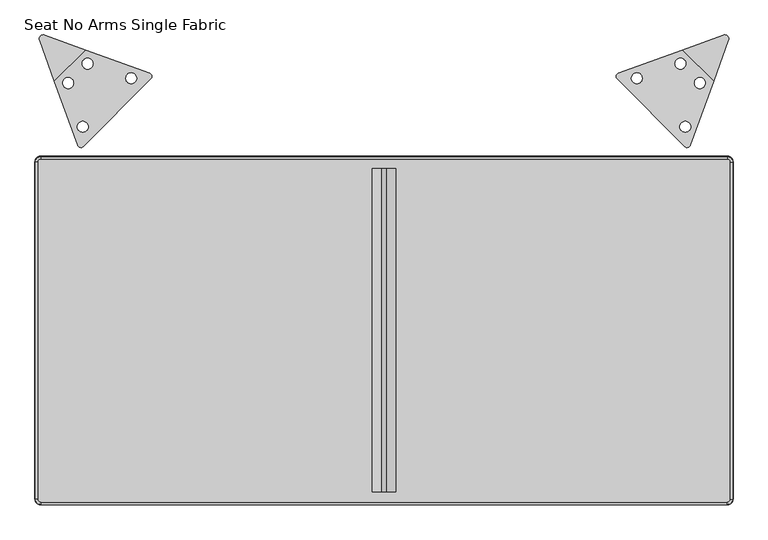
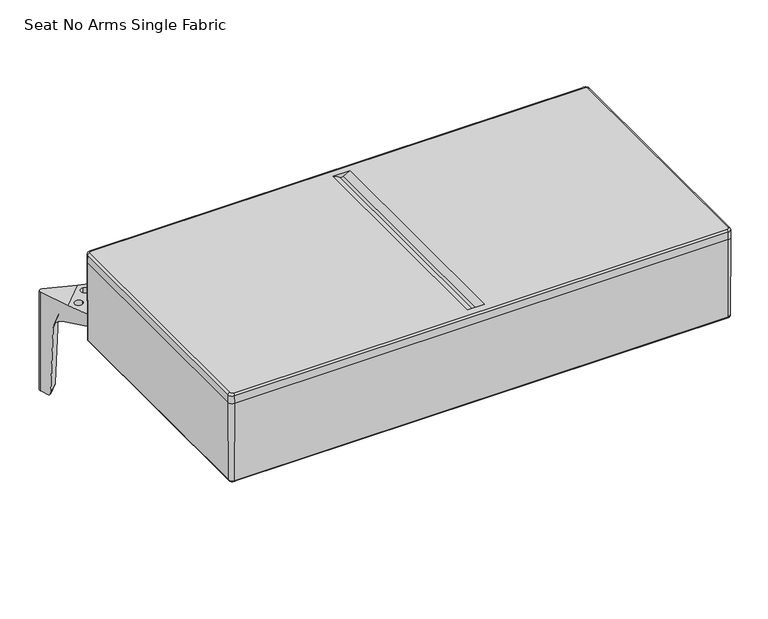
"""IFC4 building model written with IfcOpenShell, lengths in millimetres: furniture geometry, Seat No Arms Single Fabric."""

from ifc_helpers import new_model, si_unit, point, frame, origin, place, context, project, spatial, polyline, circle_curve, ellipse_curve, trimmed, source, transform, mapped, element, save
from ifc_brep_helpers import plane_surface, cylinder_surface, revolved_surface, advanced_brep


def seat_no_arms_single_fabric_0442dae5(model_context):
    return source(origin(), model_context, "Body", "AdvancedBrep", [
        advanced_brep(
        [(-508.4043637, -336.2831561, 399.8769495), (-500.607956, -344.0795638, 399.8769495), (-500.607956, -340.5828005, 403.2639753), (-504.9076004, -336.2831561, 403.2639753), (-508.9059221, -336.2831561, 384.1496683), (-500.607956, -344.5811222, 384.1496683), (-508.0982527, -336.2831561, 217.9964874), (-500.607956, -343.7734528, 217.9964874), (-504.7991098, -336.2831561, 214.8318179), (-500.607956, -340.4743099, 214.8318179), (-500.607956, -339.6666812, 214.8318179), (-503.9914811, -336.2831561, 214.8318179), (-503.9914811, -336.2831561, 215.0000307), (-500.607956, -339.6666812, 215.0000307), (-504.9076004, 156.0562792, 403.2639753), (-508.4043637, 156.0562792, 399.8769495), (-508.9059221, 156.0562792, 384.1496683), (-508.0982527, 156.0562792, 217.9964874), (-504.7991098, 156.0562792, 214.8318179), (-503.9914811, 156.0562792, 214.8318179), (-503.9914811, 156.0562792, 215.0000307), (-500.607956, 160.3559235, 403.2639753), (-500.607956, 163.8526868, 399.8769495), (-500.607956, 164.3542453, 384.1496683), (-500.607956, 163.5465759, 217.9964874), (-500.607956, 160.2474329, 214.8318179), (-500.607956, 159.4398042, 214.8318179), (-500.607956, 159.4398042, 215.0000307), (500.607956, 160.3559235, 403.2639753), (500.607956, 163.8526868, 399.8769495), (500.607956, 164.3542453, 384.1496683), (500.607956, 163.5465759, 217.9964874), (500.607956, 160.2474329, 214.8318179), (500.607956, 159.4398042, 214.8318179), (500.607956, 159.4398042, 215.0000307), (504.9076004, 156.0562792, 403.2639753), (508.4043637, 156.0562792, 399.8769495), (508.9059221, 156.0562792, 384.1496683), (508.0982527, 156.0562792, 217.9964874), (504.7991098, 156.0562792, 214.8318179), (503.9914811, 156.0562792, 214.8318179), (503.9914811, 156.0562792, 215.0000307), (504.9076004, -336.2831561, 403.2639753), (508.4043637, -336.2831561, 399.8769495), (508.9059221, -336.2831561, 384.1496683), (508.0982527, -336.2831561, 217.9964874), (504.7991098, -336.2831561, 214.8318179), (503.9914811, -336.2831561, 214.8318179), (503.9914811, -336.2831561, 215.0000307), (500.607956, -340.5828005, 403.2639753), (500.607956, -344.0795638, 399.8769495), (500.607956, -344.5811222, 384.1496683), (500.607956, -343.7734528, 217.9964874), (500.607956, -340.4743099, 214.8318179), (500.607956, -339.6666812, 214.8318179), (500.607956, -339.6666812, 215.0000307), (-17.1683585, 146.3891732, 403.2639753), (17.1683585, 146.3891732, 403.2639753), (17.1683585, -325.2508809, 403.2639753), (-17.1683585, -325.2508809, 403.2639753), (-3.8488684, 146.3891732, 396.2028832), (3.8488684, 146.3891732, 396.2028832), (3.8488684, -325.2508809, 396.2028832), (-3.8488684, -325.2508809, 396.2028832)],
        [
            (0, 1, circle_curve(frame((-500.607956, -336.2831561, 399.8769495), z_axis=(0.0, 0.0, 1.0), x_axis=(0.0, -1.0, 0.0)), 7.7964077)),
            (1, 2, circle_curve(frame((-500.607956, -340.5828005, 399.7654343), z_axis=(-1.0, 0.0, 0.0), x_axis=(0.0, 1.0, 0.0)), 3.498541)),
            (2, 3, circle_curve(frame((-500.607956, -336.2831561, 403.2639753), z_axis=(0.0, 0.0, -1.0), x_axis=(0.0, -1.0, 0.0)), 4.2996444)),
            (3, 0, circle_curve(frame((-504.9076004, -336.2831561, 399.7654343), z_axis=(0.0, -1.0, 0.0), x_axis=(1.0, 0.0, 0.0)), 3.498541)),
            (0, 4),
            (4, 5, circle_curve(frame((-500.607956, -336.2831561, 384.1496683), z_axis=(0.0, 0.0, 1.0), x_axis=(0.0, -1.0, 0.0)), 8.2979661)),
            (5, 1),
            (4, 6, circle_curve(frame((1751.6135517, -336.2831561, 312.0594835), z_axis=(0.0, -1.0, 0.0), x_axis=(1.0, 0.0, 0.0)), 2261.6686951)),
            (6, 7, circle_curve(frame((-500.607956, -336.2831561, 217.9964874), z_axis=(0.0, 0.0, 1.0), x_axis=(0.0, -1.0, 0.0)), 7.4902967)),
            (7, 5, circle_curve(frame((-500.607956, 1915.9383516, 312.0594835), z_axis=(-1.0, 0.0, 0.0), x_axis=(0.0, 1.0, 0.0)), 2261.6686951)),
            (6, 8, circle_curve(frame((-504.7991098, -336.2831561, 218.1338179), z_axis=(0.0, -1.0, 0.0), x_axis=(1.0, 0.0, 0.0)), 3.302)),
            (8, 9, circle_curve(frame((-500.607956, -336.2831561, 214.8318179), z_axis=(0.0, 0.0, 1.0), x_axis=(0.0, -1.0, 0.0)), 4.1911537)),
            (9, 7, circle_curve(frame((-500.607956, -340.4743099, 218.1338179), z_axis=(-1.0, 0.0, 0.0), x_axis=(0.0, 1.0, 0.0)), 3.302)),
            (10, 11, circle_curve(frame((-500.607956, -336.2831561, 214.8318179), z_axis=(0.0, 0.0, -1.0), x_axis=(0.0, -1.0, 0.0)), 3.383525)),
            (11, 12),
            (12, 13, circle_curve(frame((-500.607956, -336.2831561, 215.0000307), z_axis=(0.0, 0.0, 1.0), x_axis=(0.0, -1.0, 0.0)), 3.383525)),
            (13, 10),
            (3, 14),
            (14, 15, circle_curve(frame((-504.9076004, 156.0562792, 399.7654343), z_axis=(0.0, -1.0, 0.0), x_axis=(1.0, 0.0, 0.0)), 3.498541)),
            (15, 0),
            (15, 16),
            (16, 4),
            (16, 17, circle_curve(frame((1751.6135517, 156.0562792, 312.0594835), z_axis=(0.0, -1.0, 0.0), x_axis=(1.0, 0.0, 0.0)), 2261.6686951)),
            (17, 6),
            (17, 18, circle_curve(frame((-504.7991098, 156.0562792, 218.1338179), z_axis=(0.0, -1.0, 0.0), x_axis=(1.0, 0.0, 0.0)), 3.302)),
            (18, 8),
            (11, 19),
            (19, 20),
            (20, 12),
            (14, 21, circle_curve(frame((-500.607956, 156.0562792, 403.2639753), z_axis=(0.0, 0.0, -1.0), x_axis=(-1.0, 0.0, 0.0)), 4.2996444)),
            (21, 22, circle_curve(frame((-500.607956, 160.3559235, 399.7654343), z_axis=(-1.0, 0.0, 0.0), x_axis=(0.0, -1.0, 0.0)), 3.498541)),
            (22, 15, circle_curve(frame((-500.607956, 156.0562792, 399.8769495), z_axis=(0.0, 0.0, 1.0), x_axis=(-1.0, 0.0, 0.0)), 7.7964077)),
            (22, 23),
            (23, 16, circle_curve(frame((-500.607956, 156.0562792, 384.1496683), z_axis=(0.0, 0.0, 1.0), x_axis=(-1.0, 0.0, 0.0)), 8.2979661)),
            (23, 24, circle_curve(frame((-500.607956, -2096.1652286, 312.0594835), z_axis=(-1.0, 0.0, 0.0), x_axis=(0.0, -1.0, 0.0)), 2261.6686951)),
            (24, 17, circle_curve(frame((-500.607956, 156.0562792, 217.9964874), z_axis=(0.0, 0.0, 1.0), x_axis=(-1.0, 0.0, 0.0)), 7.4902967)),
            (24, 25, circle_curve(frame((-500.607956, 160.2474329, 218.1338179), z_axis=(-1.0, 0.0, 0.0), x_axis=(0.0, -1.0, 0.0)), 3.302)),
            (25, 18, circle_curve(frame((-500.607956, 156.0562792, 214.8318179), z_axis=(0.0, 0.0, 1.0), x_axis=(-1.0, 0.0, 0.0)), 4.1911537)),
            (19, 26, circle_curve(frame((-500.607956, 156.0562792, 214.8318179), z_axis=(0.0, 0.0, -1.0), x_axis=(-1.0, 0.0, 0.0)), 3.383525)),
            (26, 27),
            (27, 20, circle_curve(frame((-500.607956, 156.0562792, 215.0000307), z_axis=(0.0, 0.0, 1.0), x_axis=(-1.0, 0.0, 0.0)), 3.383525)),
            (21, 28),
            (28, 29, circle_curve(frame((500.607956, 160.3559235, 399.7654343), z_axis=(-1.0, 0.0, 0.0), x_axis=(0.0, -1.0, 0.0)), 3.498541)),
            (29, 22),
            (29, 30),
            (30, 23),
            (30, 31, circle_curve(frame((500.607956, -2096.1652286, 312.0594835), z_axis=(-1.0, 0.0, 0.0), x_axis=(0.0, -1.0, 0.0)), 2261.6686951)),
            (31, 24),
            (31, 32, circle_curve(frame((500.607956, 160.2474329, 218.1338179), z_axis=(-1.0, 0.0, 0.0), x_axis=(0.0, -1.0, 0.0)), 3.302)),
            (32, 25),
            (26, 33),
            (33, 34),
            (34, 27),
            (28, 35, circle_curve(frame((500.607956, 156.0562792, 403.2639753), z_axis=(0.0, 0.0, -1.0), x_axis=(0.0, 1.0, 0.0)), 4.2996444)),
            (35, 36, circle_curve(frame((504.9076004, 156.0562792, 399.7654343), z_axis=(0.0, 1.0, 0.0), x_axis=(-1.0, 0.0, 0.0)), 3.498541)),
            (36, 29, circle_curve(frame((500.607956, 156.0562792, 399.8769495), z_axis=(0.0, 0.0, 1.0), x_axis=(0.0, 1.0, 0.0)), 7.7964077)),
            (36, 37),
            (37, 30, circle_curve(frame((500.607956, 156.0562792, 384.1496683), z_axis=(0.0, 0.0, 1.0), x_axis=(0.0, 1.0, 0.0)), 8.2979661)),
            (37, 38, circle_curve(frame((-1751.6135517, 156.0562792, 312.0594835), z_axis=(0.0, 1.0, 0.0), x_axis=(-1.0, 0.0, 0.0)), 2261.6686951)),
            (38, 31, circle_curve(frame((500.607956, 156.0562792, 217.9964874), z_axis=(0.0, 0.0, 1.0), x_axis=(0.0, 1.0, 0.0)), 7.4902967)),
            (38, 39, circle_curve(frame((504.7991098, 156.0562792, 218.1338179), z_axis=(0.0, 1.0, 0.0), x_axis=(-1.0, 0.0, 0.0)), 3.302)),
            (39, 32, circle_curve(frame((500.607956, 156.0562792, 214.8318179), z_axis=(0.0, 0.0, 1.0), x_axis=(0.0, 1.0, 0.0)), 4.1911537)),
            (33, 40, circle_curve(frame((500.607956, 156.0562792, 214.8318179), z_axis=(0.0, 0.0, -1.0), x_axis=(0.0, 1.0, 0.0)), 3.383525)),
            (40, 41),
            (41, 34, circle_curve(frame((500.607956, 156.0562792, 215.0000307), z_axis=(0.0, 0.0, 1.0), x_axis=(0.0, 1.0, 0.0)), 3.383525)),
            (35, 42),
            (42, 43, circle_curve(frame((504.9076004, -336.2831561, 399.7654343), z_axis=(0.0, 1.0, 0.0), x_axis=(-1.0, 0.0, 0.0)), 3.498541)),
            (43, 36),
            (43, 44),
            (44, 37),
            (44, 45, circle_curve(frame((-1751.6135517, -336.2831561, 312.0594835), z_axis=(0.0, 1.0, 0.0), x_axis=(-1.0, 0.0, 0.0)), 2261.6686951)),
            (45, 38),
            (45, 46, circle_curve(frame((504.7991098, -336.2831561, 218.1338179), z_axis=(0.0, 1.0, 0.0), x_axis=(-1.0, 0.0, 0.0)), 3.302)),
            (46, 39),
            (40, 47),
            (47, 48),
            (48, 41),
            (42, 49, circle_curve(frame((500.607956, -336.2831561, 403.2639753), z_axis=(0.0, 0.0, -1.0), x_axis=(1.0, 0.0, 0.0)), 4.2996444)),
            (49, 50, circle_curve(frame((500.607956, -340.5828005, 399.7654343), z_axis=(1.0, 0.0, 0.0), x_axis=(0.0, 1.0, 0.0)), 3.498541)),
            (50, 43, circle_curve(frame((500.607956, -336.2831561, 399.8769495), z_axis=(0.0, 0.0, 1.0), x_axis=(1.0, 0.0, 0.0)), 7.7964077)),
            (50, 51),
            (51, 44, circle_curve(frame((500.607956, -336.2831561, 384.1496683), z_axis=(0.0, 0.0, 1.0), x_axis=(1.0, 0.0, 0.0)), 8.2979661)),
            (51, 52, circle_curve(frame((500.607956, 1915.9383516, 312.0594835), z_axis=(1.0, 0.0, 0.0), x_axis=(0.0, 1.0, 0.0)), 2261.6686951)),
            (52, 45, circle_curve(frame((500.607956, -336.2831561, 217.9964874), z_axis=(0.0, 0.0, 1.0), x_axis=(1.0, 0.0, 0.0)), 7.4902967)),
            (52, 53, circle_curve(frame((500.607956, -340.4743099, 218.1338179), z_axis=(1.0, 0.0, 0.0), x_axis=(0.0, 1.0, 0.0)), 3.302)),
            (53, 46, circle_curve(frame((500.607956, -336.2831561, 214.8318179), z_axis=(0.0, 0.0, 1.0), x_axis=(1.0, 0.0, 0.0)), 4.1911537)),
            (47, 54, circle_curve(frame((500.607956, -336.2831561, 214.8318179), z_axis=(0.0, 0.0, -1.0), x_axis=(1.0, 0.0, 0.0)), 3.383525)),
            (54, 55),
            (55, 48, circle_curve(frame((500.607956, -336.2831561, 215.0000307), z_axis=(0.0, 0.0, 1.0), x_axis=(1.0, 0.0, 0.0)), 3.383525)),
            (2, 49),
            (56, 57),
            (57, 58),
            (58, 59),
            (59, 56),
            (1, 50),
            (5, 51),
            (7, 52),
            (9, 53),
            (10, 54),
            (13, 55),
            (60, 61, circle_curve(frame((0.0, 146.3891732, 401.2534982), z_axis=(0.0, -1.0, 0.0), x_axis=(-1.0, 0.0, 0.0)), 6.35)),
            (61, 57, circle_curve(frame((31.8811083, 146.3891732, 359.4180319), z_axis=(0.0, 1.0, 0.0), x_axis=(-1.0, 0.0, 0.0)), 46.2485866)),
            (56, 60, circle_curve(frame((-31.8811083, 146.3891732, 359.4180319), z_axis=(0.0, 1.0, 0.0), x_axis=(1.0, 0.0, 0.0)), 46.2485866)),
            (62, 63, circle_curve(frame((0.0, -325.2508809, 401.2534982), z_axis=(0.0, 1.0, 0.0), x_axis=(-1.0, 0.0, 0.0)), 6.35)),
            (63, 59, circle_curve(frame((-31.8811083, -325.2508809, 359.4180319), z_axis=(0.0, -1.0, 0.0), x_axis=(1.0, 0.0, 0.0)), 46.2485866)),
            (58, 62, circle_curve(frame((31.8811083, -325.2508809, 359.4180319), z_axis=(0.0, -1.0, 0.0), x_axis=(-1.0, 0.0, 0.0)), 46.2485866)),
            (63, 60),
            (61, 62),
        ],
        [
            revolved_surface(trimmed(ellipse_curve(frame((-500.607956, -340.5828005, 399.7654343), z_axis=(1.0, 0.0, 0.0), x_axis=(0.0, 1.0, 0.0)), 3.498541, 3.498541), [point((-500.607956, -340.5828005, 403.2639753))], [point((-500.607956, -344.0795638, 399.8769495))], True, "CARTESIAN"), (-500.607956, -336.2831561, 218.3281888), (0.0, 0.0, -1.0)),
            revolved_surface(polyline([(-500.607956, -344.0795638, 399.8769495), (-500.607956, -344.5811222, 384.1496683)]), (-500.607956, -336.2831561, 218.3281888), (0.0, 0.0, -1.0)),
            revolved_surface(trimmed(ellipse_curve(frame((-500.607956, 1915.9383516, 312.0594835), z_axis=(1.0, 0.0, 0.0), x_axis=(0.0, 1.0, 0.0)), 2261.6686951, 2261.6686951), [point((-500.607956, -344.5811222, 384.1496683))], [point((-500.607956, -343.7734528, 217.9964874))], True, "CARTESIAN"), (-500.607956, -336.2831561, 218.3281888), (0.0, 0.0, -1.0)),
            revolved_surface(trimmed(ellipse_curve(frame((-500.607956, -340.4743099, 218.1338179), z_axis=(1.0, 0.0, 0.0), x_axis=(0.0, 1.0, 0.0)), 3.302, 3.302), [point((-500.607956, -343.7734528, 217.9964874))], [point((-500.607956, -340.4743099, 214.8318179))], True, "CARTESIAN"), (-500.607956, -336.2831561, 218.3281888), (0.0, 0.0, -1.0)),
            revolved_surface(polyline([(-500.607956, -339.6666811, 214.8318179), (-500.607956, -339.6666811, 215.0000307)]), (-500.607956, -336.2831561, 218.3281888), (0.0, 0.0, -1.0)),
            cylinder_surface(frame((-504.9076004, -336.2831561, 399.7654343), z_axis=(0.0, -1.0, 0.0), x_axis=(1.0, 0.0, 0.0)), 3.498541),
            plane_surface(frame((-508.4043637, -336.2831561, 399.8769495), z_axis=(-0.9994918702048333, 0.0, 0.03187477677481991), x_axis=(0.0, 1.0, 0.0))),
            cylinder_surface(frame((1751.6135517, -336.2831561, 312.0594835), z_axis=(0.0, -1.0, 0.0), x_axis=(1.0, 0.0, 0.0)), 2261.6686951),
            cylinder_surface(frame((-504.7991098, -336.2831561, 218.1338179), z_axis=(0.0, -1.0, 0.0), x_axis=(1.0, 0.0, 0.0)), 3.302),
            plane_surface(frame((-503.9914811, -336.2831561, 214.8318179), z_axis=(1.0, 0.0, 0.0), x_axis=(0.0, 1.0, 0.0))),
            revolved_surface(trimmed(ellipse_curve(frame((-504.9076004, 156.0562792, 399.7654343), z_axis=(0.0, -1.0, 0.0), x_axis=(1.0, 0.0, 0.0)), 3.498541, 3.498541), [point((-504.9076004, 156.0562792, 403.2639753))], [point((-508.4043637, 156.0562792, 399.8769495))], True, "CARTESIAN"), (-500.607956, 156.0562792, 218.3281888), (0.0, 0.0, -1.0)),
            revolved_surface(polyline([(-508.4043637, 156.0562792, 399.8769495), (-508.9059221, 156.0562792, 384.1496683)]), (-500.607956, 156.0562792, 218.3281888), (0.0, 0.0, -1.0)),
            revolved_surface(trimmed(ellipse_curve(frame((1751.6135517, 156.0562792, 312.0594835), z_axis=(0.0, -1.0, 0.0), x_axis=(1.0, 0.0, 0.0)), 2261.6686951, 2261.6686951), [point((-508.9059221, 156.0562792, 384.1496683))], [point((-508.0982527, 156.0562792, 217.9964874))], True, "CARTESIAN"), (-500.607956, 156.0562792, 218.3281888), (0.0, 0.0, -1.0)),
            revolved_surface(trimmed(ellipse_curve(frame((-504.7991098, 156.0562792, 218.1338179), z_axis=(0.0, -1.0, 0.0), x_axis=(1.0, 0.0, 0.0)), 3.302, 3.302), [point((-508.0982527, 156.0562792, 217.9964874))], [point((-504.7991098, 156.0562792, 214.8318179))], True, "CARTESIAN"), (-500.607956, 156.0562792, 218.3281888), (0.0, 0.0, -1.0)),
            revolved_surface(polyline([(-503.991481, 156.0562792, 214.8318179), (-503.991481, 156.0562792, 215.0000307)]), (-500.607956, 156.0562792, 218.3281888), (0.0, 0.0, -1.0)),
            cylinder_surface(frame((-500.607956, 160.3559235, 399.7654343), z_axis=(-1.0, 0.0, 0.0), x_axis=(0.0, -1.0, 0.0)), 3.498541),
            plane_surface(frame((-500.607956, 163.8526868, 399.8769495), z_axis=(0.0, 0.9994918702048334, 0.03187477677481665), x_axis=(1.0, 0.0, 0.0))),
            cylinder_surface(frame((-500.607956, -2096.1652286, 312.0594835), z_axis=(-1.0, 0.0, 0.0), x_axis=(0.0, -1.0, 0.0)), 2261.6686951),
            cylinder_surface(frame((-500.607956, 160.2474329, 218.1338179), z_axis=(-1.0, 0.0, 0.0), x_axis=(0.0, -1.0, 0.0)), 3.302),
            plane_surface(frame((-500.607956, 159.4398042, 214.8318179), z_axis=(0.0, -1.0, 0.0), x_axis=(1.0, 0.0, 0.0))),
            revolved_surface(trimmed(ellipse_curve(frame((500.607956, 160.3559235, 399.7654343), z_axis=(-1.0, 0.0, 0.0), x_axis=(0.0, -1.0, 0.0)), 3.498541, 3.498541), [point((500.607956, 160.3559235, 403.2639753))], [point((500.607956, 163.8526868, 399.8769495))], True, "CARTESIAN"), (500.607956, 156.0562792, 218.3281888), (0.0, 0.0, -1.0)),
            revolved_surface(polyline([(500.607956, 163.8526868, 399.8769495), (500.607956, 164.3542453, 384.1496683)]), (500.607956, 156.0562792, 218.3281888), (0.0, 0.0, -1.0)),
            revolved_surface(trimmed(ellipse_curve(frame((500.607956, -2096.1652286, 312.0594835), z_axis=(-1.0, 0.0, 0.0), x_axis=(0.0, -1.0, 0.0)), 2261.6686951, 2261.6686951), [point((500.607956, 164.3542453, 384.1496683))], [point((500.607956, 163.5465759, 217.9964874))], True, "CARTESIAN"), (500.607956, 156.0562792, 218.3281888), (0.0, 0.0, -1.0)),
            revolved_surface(trimmed(ellipse_curve(frame((500.607956, 160.2474329, 218.1338179), z_axis=(-1.0, 0.0, 0.0), x_axis=(0.0, -1.0, 0.0)), 3.302, 3.302), [point((500.607956, 163.5465759, 217.9964874))], [point((500.607956, 160.2474329, 214.8318179))], True, "CARTESIAN"), (500.607956, 156.0562792, 218.3281888), (0.0, 0.0, -1.0)),
            revolved_surface(polyline([(500.607956, 159.4398042, 214.8318179), (500.607956, 159.4398042, 215.0000307)]), (500.607956, 156.0562792, 218.3281888), (0.0, 0.0, -1.0)),
            cylinder_surface(frame((504.9076004, 156.0562792, 399.7654343), z_axis=(0.0, 1.0, 0.0), x_axis=(-1.0, 0.0, 0.0)), 3.498541),
            plane_surface(frame((508.4043637, 156.0562792, 399.8769495), z_axis=(0.9994918702048333, 0.0, 0.03187477677481991), x_axis=(0.0, -1.0, 0.0))),
            cylinder_surface(frame((-1751.6135517, 156.0562792, 312.0594835), z_axis=(0.0, 1.0, 0.0), x_axis=(-1.0, 0.0, 0.0)), 2261.6686951),
            cylinder_surface(frame((504.7991098, 156.0562792, 218.1338179), z_axis=(0.0, 1.0, 0.0), x_axis=(-1.0, 0.0, 0.0)), 3.302),
            plane_surface(frame((503.9914811, 156.0562792, 214.8318179), z_axis=(-1.0, 0.0, 0.0), x_axis=(0.0, -1.0, 0.0))),
            revolved_surface(trimmed(ellipse_curve(frame((504.9076004, -336.2831561, 399.7654343), z_axis=(0.0, 1.0, 0.0), x_axis=(-1.0, 0.0, 0.0)), 3.498541, 3.498541), [point((504.9076004, -336.2831561, 403.2639753))], [point((508.4043637, -336.2831561, 399.8769495))], True, "CARTESIAN"), (500.607956, -336.2831561, 218.3281888), (0.0, 0.0, -1.0)),
            revolved_surface(polyline([(508.4043637, -336.2831561, 399.8769495), (508.9059221, -336.2831561, 384.1496683)]), (500.607956, -336.2831561, 218.3281888), (0.0, 0.0, -1.0)),
            revolved_surface(trimmed(ellipse_curve(frame((-1751.6135517, -336.2831561, 312.0594835), z_axis=(0.0, 1.0, 0.0), x_axis=(-1.0, 0.0, 0.0)), 2261.6686951, 2261.6686951), [point((508.9059221, -336.2831561, 384.1496683))], [point((508.0982527, -336.2831561, 217.9964874))], True, "CARTESIAN"), (500.607956, -336.2831561, 218.3281888), (0.0, 0.0, -1.0)),
            revolved_surface(trimmed(ellipse_curve(frame((504.7991098, -336.2831561, 218.1338179), z_axis=(0.0, 1.0, 0.0), x_axis=(-1.0, 0.0, 0.0)), 3.302, 3.302), [point((508.0982527, -336.2831561, 217.9964874))], [point((504.7991098, -336.2831561, 214.8318179))], True, "CARTESIAN"), (500.607956, -336.2831561, 218.3281888), (0.0, 0.0, -1.0)),
            revolved_surface(polyline([(503.991481, -336.2831561, 214.8318179), (503.991481, -336.2831561, 215.0000307)]), (500.607956, -336.2831561, 218.3281888), (0.0, 0.0, -1.0)),
            plane_surface(frame((500.607956, -339.6666812, 403.2639753), z_axis=(0.0, 0.0, 1.0), x_axis=(-1.0, 0.0, 0.0))),
            cylinder_surface(frame((500.607956, -340.5828005, 399.7654343), z_axis=(1.0, 0.0, 0.0), x_axis=(0.0, 1.0, 0.0)), 3.498541),
            plane_surface(frame((500.607956, -344.0795638, 399.8769495), z_axis=(0.0, -0.9994918702048334, 0.03187477677481665), x_axis=(-1.0, 0.0, 0.0))),
            cylinder_surface(frame((500.607956, 1915.9383516, 312.0594835), z_axis=(1.0, 0.0, 0.0), x_axis=(0.0, 1.0, 0.0)), 2261.6686951),
            cylinder_surface(frame((500.607956, -340.4743099, 218.1338179), z_axis=(1.0, 0.0, 0.0), x_axis=(0.0, 1.0, 0.0)), 3.302),
            plane_surface(frame((500.607956, -340.4743099, 214.8318179), z_axis=(0.0, 0.0, -1.0), x_axis=(-1.0, 0.0, 0.0))),
            plane_surface(frame((500.607956, -339.6666812, 214.8318179), z_axis=(0.0, 1.0, 0.0), x_axis=(-1.0, 0.0, 0.0))),
            plane_surface(frame((-500.607956, -339.6666812, 215.0000307), z_axis=(0.0, 0.0, -1.0), x_axis=(-1.0, 0.0, 0.0))),
            plane_surface(frame((-6.35, 146.3891732, 401.2534982), z_axis=(0.0, -1.0, 0.0), x_axis=(0.0, 0.0, 1.0))),
            plane_surface(frame((-6.35, -325.2508809, 401.2534982), z_axis=(0.0, 1.0, 0.0), x_axis=(0.0, 0.0, -1.0))),
            cylinder_surface(frame((-31.8811083, -325.2508809, 359.4180319), z_axis=(0.0, -1.0, 0.0), x_axis=(1.0, 0.0, 0.0)), 46.2485866),
            cylinder_surface(frame((31.8811083, -325.2508809, 359.4180319), z_axis=(0.0, -1.0, 0.0), x_axis=(-1.0, 0.0, 0.0)), 46.2485866),
            revolved_surface(polyline([(-6.35, 146.38917320000002, 401.2534982), (-6.35, -325.2508809, 401.2534982)]), (0.0, -325.2508809, 401.2534982), (0.0, 1.0, 0.0)),
        ],
        [
            (0, [[1, 2, 3, 4]]),
            (1, [[-1, 5, 6, 7]]),
            (2, [[-6, 8, 9, 10]]),
            (3, [[-9, 11, 12, 13]]),
            (4, [[14, 15, 16, 17]]),
            (5, [[-4, 18, 19, 20]]),
            (6, [[-5, -20, 21, 22]]),
            (7, [[-8, -22, 23, 24]]),
            (8, [[-11, -24, 25, 26]]),
            (9, [[27, 28, 29, -15]]),
            (10, [[-19, 30, 31, 32]]),
            (11, [[-21, -32, 33, 34]]),
            (12, [[-23, -34, 35, 36]]),
            (13, [[-25, -36, 37, 38]]),
            (14, [[39, 40, 41, -28]]),
            (15, [[-31, 42, 43, 44]]),
            (16, [[-33, -44, 45, 46]]),
            (17, [[-35, -46, 47, 48]]),
            (18, [[-37, -48, 49, 50]]),
            (19, [[51, 52, 53, -40]]),
            (20, [[-43, 54, 55, 56]]),
            (21, [[-45, -56, 57, 58]]),
            (22, [[-47, -58, 59, 60]]),
            (23, [[-49, -60, 61, 62]]),
            (24, [[63, 64, 65, -52]]),
            (25, [[-55, 66, 67, 68]]),
            (26, [[-57, -68, 69, 70]]),
            (27, [[-59, -70, 71, 72]]),
            (28, [[-61, -72, 73, 74]]),
            (29, [[75, 76, 77, -64]]),
            (30, [[-67, 78, 79, 80]]),
            (31, [[-69, -80, 81, 82]]),
            (32, [[-71, -82, 83, 84]]),
            (33, [[-73, -84, 85, 86]]),
            (34, [[87, 88, 89, -76]]),
            (35, [[-3, 90, -78, -66, -54, -42, -30, -18], [91, 92, 93, 94]]),
            (36, [[-2, 95, -79, -90]]),
            (37, [[-7, 96, -81, -95]]),
            (38, [[-10, 97, -83, -96]]),
            (39, [[-13, 98, -85, -97]]),
            (40, [[-12, -26, -38, -50, -62, -74, -86, -98], [-14, 99, -87, -75, -63, -51, -39, -27]]),
            (41, [[-99, -17, 100, -88]]),
            (42, [[-16, -29, -41, -53, -65, -77, -89, -100]]),
            (43, [[101, 102, -91, 103]]),
            (44, [[104, 105, -93, 106]]),
            (45, [[107, -103, -94, -105]]),
            (46, [[108, -106, -92, -102]]),
            (47, [[-101, -107, -104, -108]]),
        ],
    ),
        advanced_brep(
        [(494.5246751, 340.9893154, 0.0), (502.2106124, 333.3034034, 0.0), (496.2806052, 317.0108752, 0.0), (478.23221, 335.0592703, 0.0), (502.2106124, 333.3034034, 211.0000205), (480.5698757, 273.8460875, 211.0000205), (446.5717849, 180.4372885, 214.9993964), (446.5717849, 180.4372885, 201.1142658), (485.3683082, 287.0296461, 170.8134729), (492.2366652, 305.900264, 147.4277276), (494.2956857, 311.5573649, 5.835), (494.5246751, 340.9893154, 211.0000205), (472.7787146, 333.074336, 5.835), (467.1216292, 331.0153, 147.4277276), (448.2510629, 324.1468914, 170.8134729), (341.5311271, 285.3035352, 201.1506152), (341.5311271, 285.3035352, 215.0048713), (435.0675404, 319.3484228, 211.0000205), (339.7382382, 277.2161564, 203.2097819), (339.7382382, 277.2161564, 215.3150186), (438.3425719, 178.6128952, 203.2095584), (438.3425719, 178.6128952, 215.3149849), (468.4708396, 270.9884082, 211.4695204), (468.4708396, 270.9884082, 177.6782959), (452.5590182, 270.9884082, 180.994511), (452.5590182, 270.9884082, 211.9690017), (432.1142874, 307.3449604, 211.4695204), (432.1142874, 307.3449604, 177.6782959), (432.1142874, 291.433139, 180.994511), (432.1142874, 291.433139, 211.9690017), (368.5447057, 286.0025145, 214.1349581), (368.5447057, 286.0025145, 195.3749846), (368.5447057, 270.0906931, 198.6911997), (368.5447057, 270.0906931, 214.6344393), (447.1283937, 207.4188264, 214.1349581), (447.1283937, 207.4188264, 195.3749846), (431.2165723, 207.4188264, 198.6911997), (431.2165723, 207.4188264, 214.6344393)],
        [
            (0, 1, circle_curve(frame((496.5756547, 335.3543644, 0.0), z_axis=(0.0, 0.0, -1.0), x_axis=(-1.0, 0.0, 0.0)), 5.9965982)),
            (1, 2),
            (2, 3),
            (3, 0),
            (1, 4),
            (4, 5),
            (5, 6),
            (6, 7),
            (7, 8),
            (8, 9, ellipse_curve(frame((482.6583719, 279.5841721, 146.449692), z_axis=(-0.9396923998770215, 0.34202075026723755, 0.0), x_axis=(-0.34202075026723766, -0.9396923998770214, 0.0)), 28.0257907, 25.4)),
            (9, 10),
            (10, 2, ellipse_curve(frame((496.6084225, 317.911544, 6.0711526), z_axis=(0.9396923998770215, -0.34202075026723755, 0.0), x_axis=(0.34202075026723766, 0.9396923998770214, 0.0)), 6.7669962, 6.1329832)),
            (0, 11),
            (11, 4, circle_curve(frame((496.5756547, 335.3543644, 211.0000205), z_axis=(0.0, 0.0, -1.0), x_axis=(-1.0, 0.0, 0.0)), 5.9965982)),
            (3, 12, ellipse_curve(frame((479.1328764, 335.3870901, 6.0711526), z_axis=(-0.34202384547290726, 0.9396912733062518, 0.0), x_axis=(-0.9396912733062519, -0.342023845472907, 0.0)), 6.7669858, 6.1329832)),
            (12, 13),
            (13, 14, ellipse_curve(frame((440.8056092, 321.4369347, 146.449692), z_axis=(0.34202384547290726, -0.9396912733062518, 0.0), x_axis=(0.9396912733062519, 0.342023845472907, 0.0)), 28.0257477, 25.4)),
            (14, 15),
            (15, 16),
            (16, 17),
            (17, 11),
            (15, 18, ellipse_curve(frame((343.2107927, 280.6887486, 201.7623297), z_axis=(0.19990965402589103, 0.19990965402589023, 0.9592039722887398), x_axis=(-0.6782596333464425, -0.6782596333464397, 0.28271494397272773)), 5.119829, 4.9109604)),
            (18, 19),
            (19, 16, ellipse_curve(frame((343.2107927, 280.6887486, 215.0970064), z_axis=(-0.03135969226807014, -0.031359692268070005, -0.9990160856571348), x_axis=(-0.7064110486826024, -0.7064110486825994, 0.04434930211735357)), 4.9157971, 4.9109604)),
            (18, 20),
            (20, 21),
            (21, 19),
            (6, 21, ellipse_curve(frame((441.8760411, 182.1464029, 215.0931484), z_axis=(-0.03135969226807014, -0.031359692268070005, -0.9990160856571348), x_axis=(-0.7064110486826024, -0.7064110486825994, 0.04434930211735357)), 5.0020289, 4.9971073)),
            (20, 7, ellipse_curve(frame((441.8760411, 182.1464029, 201.7367153), z_axis=(0.19990965402589103, 0.19990965402589023, 0.9592039722887398), x_axis=(-0.6782596333464425, -0.6782596333464397, 0.28271494397272773)), 5.2096399, 4.9971073)),
            (22, 23),
            (23, 24, ellipse_curve(frame((460.5149289, 270.9884082, 179.3364034), z_axis=(-0.19990965402589103, -0.19990965402589023, -0.9592039722887398), x_axis=(0.6782596333464425, 0.6782596333464397, -0.28271494397272773)), 8.2942845, 7.9559107)),
            (24, 25),
            (25, 22, ellipse_curve(frame((460.5149289, 270.9884082, 211.7192611), z_axis=(0.03135969226807014, 0.031359692268070005, 0.9990160856571348), x_axis=(0.7064110486826024, 0.7064110486825994, -0.04434930211735357)), 7.9637463, 7.9559107)),
            (22, 25, ellipse_curve(frame((460.5149289, 270.9884082, 211.7192611), z_axis=(0.03135969226807014, 0.031359692268070005, 0.9990160856571348), x_axis=(0.7064110486826024, 0.7064110486825994, -0.04434930211735357)), 7.9637463, 7.9559107)),
            (24, 23, ellipse_curve(frame((460.5149289, 270.9884082, 179.3364034), z_axis=(-0.19990965402589103, -0.19990965402589023, -0.9592039722887398), x_axis=(0.6782596333464425, 0.6782596333464397, -0.28271494397272773)), 8.2942845, 7.9559107)),
            (26, 27),
            (27, 28, ellipse_curve(frame((432.1142874, 299.3890497, 179.3364034), z_axis=(-0.19990965402589103, -0.19990965402589023, -0.9592039722887398), x_axis=(0.6782596333464425, 0.6782596333464397, -0.28271494397272773)), 8.2942845, 7.9559107)),
            (28, 29),
            (29, 26, ellipse_curve(frame((432.1142874, 299.3890497, 211.7192611), z_axis=(0.03135969226807014, 0.031359692268070005, 0.9990160856571348), x_axis=(0.7064110486826024, 0.7064110486825994, -0.04434930211735357)), 7.9637463, 7.9559107)),
            (26, 29, ellipse_curve(frame((432.1142874, 299.3890497, 211.7192611), z_axis=(0.03135969226807014, 0.031359692268070005, 0.9990160856571348), x_axis=(0.7064110486826024, 0.7064110486825994, -0.04434930211735357)), 7.9637463, 7.9559107)),
            (28, 27, ellipse_curve(frame((432.1142874, 299.3890497, 179.3364034), z_axis=(-0.19990965402589103, -0.19990965402589023, -0.9592039722887398), x_axis=(0.6782596333464425, 0.6782596333464397, -0.28271494397272773)), 8.2942845, 7.9559107)),
            (30, 31),
            (31, 32, ellipse_curve(frame((368.5447057, 278.0466038, 197.0330921), z_axis=(-0.19990965402589103, -0.19990965402589023, -0.9592039722887398), x_axis=(0.6782596333464425, 0.6782596333464397, -0.28271494397272773)), 8.2942845, 7.9559107)),
            (32, 33),
            (33, 30, ellipse_curve(frame((368.5447057, 278.0466038, 214.3846987), z_axis=(0.03135969226807014, 0.031359692268070005, 0.9990160856571348), x_axis=(0.7064110486826024, 0.7064110486825994, -0.04434930211735357)), 7.9637463, 7.9559107)),
            (30, 33, ellipse_curve(frame((368.5447057, 278.0466038, 214.3846987), z_axis=(0.03135969226807014, 0.031359692268070005, 0.9990160856571348), x_axis=(0.7064110486826024, 0.7064110486825994, -0.04434930211735357)), 7.9637463, 7.9559107)),
            (32, 31, ellipse_curve(frame((368.5447057, 278.0466038, 197.0330921), z_axis=(-0.19990965402589103, -0.19990965402589023, -0.9592039722887398), x_axis=(0.6782596333464425, 0.6782596333464397, -0.28271494397272773)), 8.2942845, 7.9559107)),
            (34, 35),
            (35, 36, ellipse_curve(frame((439.172483, 207.4188264, 197.0330921), z_axis=(-0.19990965402589103, -0.19990965402589023, -0.9592039722887398), x_axis=(0.6782596333464425, 0.6782596333464397, -0.28271494397272773)), 8.2942845, 7.9559107)),
            (36, 37),
            (37, 34, ellipse_curve(frame((439.172483, 207.4188264, 214.3846987), z_axis=(0.03135969226807014, 0.031359692268070005, 0.9990160856571348), x_axis=(0.7064110486826024, 0.7064110486825994, -0.04434930211735357)), 7.9637463, 7.9559107)),
            (34, 37, ellipse_curve(frame((439.172483, 207.4188264, 214.3846987), z_axis=(0.03135969226807014, 0.031359692268070005, 0.9990160856571348), x_axis=(0.7064110486826024, 0.7064110486825994, -0.04434930211735357)), 7.9637463, 7.9559107)),
            (36, 35, ellipse_curve(frame((439.172483, 207.4188264, 197.0330921), z_axis=(-0.19990965402589103, -0.19990965402589023, -0.9592039722887398), x_axis=(0.6782596333464425, 0.6782596333464397, -0.28271494397272773)), 8.2942845, 7.9559107)),
            (12, 10),
            (9, 13),
            (14, 8),
            (5, 17),
        ],
        [
            plane_surface(frame((480.5697593, 273.8457678, 0.0), z_axis=(0.0, 0.0, -1.0), x_axis=(-0.34202075026723755, -0.9396923998770215, 0.0))),
            plane_surface(frame((446.5717849, 180.4372885, 217.9568815), z_axis=(0.9396923998770215, -0.34202075026723755, 0.0), x_axis=(0.0, 0.0, -1.0))),
            cylinder_surface(frame((496.5756547, 335.3543644, 0.0), z_axis=(0.0, 0.0, 1.0), x_axis=(-1.0, 0.0, 0.0)), 5.9965982),
            plane_surface(frame((494.5246751, 340.9893154, 217.9568815), z_axis=(-0.34202384547290726, 0.9396912733062518, 0.0), x_axis=(0.0, 0.0, -1.0))),
            cylinder_surface(frame((343.2107927, 280.6887486, 0.0), z_axis=(0.0, 0.0, 1.0), x_axis=(-1.0, 0.0, 0.0)), 4.9109604),
            plane_surface(frame((339.7382382, 277.2161564, 217.9568815), z_axis=(-0.7071029354973164, -0.7071106268548636, 0.0), x_axis=(0.0, 0.0, -1.0))),
            cylinder_surface(frame((441.8760411, 182.1464029, 0.0), z_axis=(0.0, 0.0, 1.0), x_axis=(-1.0, 0.0, 0.0)), 4.9971073),
            revolved_surface(polyline([(452.55901819999997, 270.9884082, 176.99148522228862), (452.55901819999997, 270.9884082, 212.07244769064468)]), (460.5149289, 270.9884082, 0.0), (0.0, 0.0, -1.0)),
            revolved_surface(polyline([(432.1142874, 291.433139, 176.99148522228862), (432.1142874, 291.433139, 212.07244769064468)]), (432.1142874, 299.3890497, 0.0), (0.0, 0.0, -1.0)),
            revolved_surface(polyline([(368.5447057, 270.0906931, 194.68817392228863), (368.5447057, 270.0906931, 214.73788529064467)]), (368.5447057, 278.0466038, 0.0), (0.0, 0.0, -1.0)),
            revolved_surface(polyline([(431.2165723, 207.4188264, 194.68817392228863), (431.2165723, 207.4188264, 214.73788529064467)]), (439.172483, 207.4188264, 0.0), (0.0, 0.0, -1.0)),
            plane_surface(frame((538.1930564, 267.6599942, 5.835), z_axis=(-0.7065823869582886, -0.7065823869582857, -0.03850533574271389), x_axis=(-0.7071067811865461, 0.707106781186549, 0.0))),
            plane_surface(frame((521.4655083, 250.9324461, 170.8134729), z_axis=(-0.1999096540258911, -0.19990965402589028, -0.95920397228874), x_axis=(-0.7071067811865461, 0.707106781186549, 0.0))),
            plane_surface(frame((435.3668414, 164.8337792, 215.8409292), z_axis=(0.031359692268070144, 0.03135969226807001, 0.9990160856571351), x_axis=(-0.7071067811865461, 0.707106781186549, 0.0))),
            plane_surface(frame((512.4745127, 241.9414505, 211.0000205), z_axis=(0.0, 0.0, 1.0), x_axis=(-0.7071067811865461, 0.707106781186549, 0.0))),
            revolved_surface(polyline([(473.0729699375053, 253.2485495782177, 146.449692), (414.470058737379, 311.8514607783443, 146.449692)]), (407.1565456, 355.0859984, 146.449692), (0.7071067811865461, -0.707106781186549, 0.0)),
            cylinder_surface(frame((433.2952569, 381.2247096, 6.0711526), z_axis=(-0.7071067811865461, 0.707106781186549, 0.0), x_axis=(-0.707106781186549, -0.7071067811865461, 0.0)), 6.1329832),
        ],
        [
            (0, [[1, 2, 3, 4]]),
            (1, [[-2, 5, 6, 7, 8, 9, 10, 11, 12]]),
            (2, [[-1, 13, 14, -5]]),
            (3, [[-4, 15, 16, 17, 18, 19, 20, 21, -13]]),
            (4, [[-19, 22, 23, 24]]),
            (5, [[-23, 25, 26, 27]]),
            (6, [[-8, 28, -26, 29]]),
            (7, [[30, 31, 32, 33]]),
            (7, [[-30, 34, -32, 35]]),
            (8, [[36, 37, 38, 39]]),
            (8, [[-36, 40, -38, 41]]),
            (9, [[42, 43, 44, 45]]),
            (9, [[-42, 46, -44, 47]]),
            (10, [[48, 49, 50, 51]]),
            (10, [[-48, 52, -50, 53]]),
            (11, [[54, -11, 55, -16]]),
            (12, [[56, -9, -29, -25, -22, -18], [-31, -35], [-37, -41], [-43, -47], [-49, -53]]),
            (13, [[57, -20, -24, -27, -28, -7], [-33, -34], [-39, -40], [-45, -46], [-51, -52]]),
            (14, [[-57, -6, -14, -21]]),
            (15, [[-56, -17, -55, -10]]),
            (16, [[-54, -15, -3, -12]]),
        ],
    ),
        advanced_brep(
        [(-494.5246751, 340.9893154, 0.0), (-478.23221, 335.0592703, 0.0), (-496.2806052, 317.0108752, 0.0), (-502.2106124, 333.3034034, 0.0), (-494.2956857, 311.5573649, 5.835), (-492.2366652, 305.900264, 147.4277276), (-485.3683082, 287.0296461, 170.8134729), (-446.5717849, 180.4372885, 201.1142658), (-446.5717849, 180.4372885, 214.9993964), (-480.5698757, 273.8460875, 211.0000205), (-502.2106124, 333.3034034, 211.0000205), (-494.5246751, 340.9893154, 211.0000205), (-435.0675404, 319.3484228, 211.0000205), (-341.5311271, 285.3035352, 215.0048713), (-341.5311271, 285.3035352, 201.1506152), (-448.2510629, 324.1468914, 170.8134729), (-467.1216292, 331.0153, 147.4277276), (-472.7787146, 333.074336, 5.835), (-339.7382382, 277.2161564, 215.3150186), (-339.7382382, 277.2161564, 203.2097819), (-438.3425719, 178.6128952, 215.3149849), (-438.3425719, 178.6128952, 203.2095584), (-468.4708396, 270.9884082, 211.4695204), (-452.5590182, 270.9884082, 211.9690017), (-452.5590182, 270.9884082, 180.994511), (-468.4708396, 270.9884082, 177.6782959), (-432.1142874, 307.3449604, 211.4695204), (-432.1142874, 291.433139, 211.9690017), (-432.1142874, 291.433139, 180.994511), (-432.1142874, 307.3449604, 177.6782959), (-368.5447057, 286.0025145, 214.1349581), (-368.5447057, 270.0906931, 214.6344393), (-368.5447057, 270.0906931, 198.6911997), (-368.5447057, 286.0025145, 195.3749846), (-447.1283937, 207.4188264, 214.1349581), (-431.2165723, 207.4188264, 214.6344393), (-431.2165723, 207.4188264, 198.6911997), (-447.1283937, 207.4188264, 195.3749846)],
        [
            (0, 1),
            (1, 2),
            (2, 3),
            (3, 0, circle_curve(frame((-496.5756547, 335.3543644, 0.0), z_axis=(0.0, 0.0, -1.0), x_axis=(1.0, 0.0, 0.0)), 5.9965982)),
            (2, 4, ellipse_curve(frame((-496.6084225, 317.911544, 6.0711526), z_axis=(-0.9396923998770215, -0.34202075026723755, 0.0), x_axis=(-0.34202075026723766, 0.9396923998770214, 0.0)), 6.7669962, 6.1329832)),
            (4, 5),
            (5, 6, ellipse_curve(frame((-482.6583719, 279.5841721, 146.449692), z_axis=(0.9396923998770215, 0.34202075026723755, 0.0), x_axis=(0.34202075026723766, -0.9396923998770214, 0.0)), 28.0257907, 25.4)),
            (6, 7),
            (7, 8),
            (8, 9),
            (9, 10),
            (10, 3),
            (10, 11, circle_curve(frame((-496.5756547, 335.3543644, 211.0000205), z_axis=(0.0, 0.0, -1.0), x_axis=(1.0, 0.0, 0.0)), 5.9965982)),
            (11, 0),
            (11, 12),
            (12, 13),
            (13, 14),
            (14, 15),
            (15, 16, ellipse_curve(frame((-440.8056092, 321.4369347, 146.449692), z_axis=(-0.34202384547290726, -0.9396912733062518, 0.0), x_axis=(-0.9396912733062519, 0.342023845472907, 0.0)), 28.0257477, 25.4)),
            (16, 17),
            (17, 1, ellipse_curve(frame((-479.1328764, 335.3870901, 6.0711526), z_axis=(0.34202384547290726, 0.9396912733062518, 0.0), x_axis=(0.9396912733062519, -0.342023845472907, 0.0)), 6.7669858, 6.1329832)),
            (13, 18, ellipse_curve(frame((-343.2107927, 280.6887486, 215.0970064), z_axis=(0.03135969226807014, -0.031359692268070005, -0.9990160856571348), x_axis=(0.7064110486826024, -0.7064110486825994, 0.04434930211735357)), 4.9157971, 4.9109604)),
            (18, 19),
            (19, 14, ellipse_curve(frame((-343.2107927, 280.6887486, 201.7623297), z_axis=(-0.19990965402589103, 0.19990965402589023, 0.9592039722887398), x_axis=(0.6782596333464425, -0.6782596333464397, 0.28271494397272773)), 5.119829, 4.9109604)),
            (18, 20),
            (20, 21),
            (21, 19),
            (7, 21, ellipse_curve(frame((-441.8760411, 182.1464029, 201.7367153), z_axis=(-0.19990965402589103, 0.19990965402589023, 0.9592039722887398), x_axis=(0.6782596333464425, -0.6782596333464397, 0.28271494397272773)), 5.2096399, 4.9971073)),
            (20, 8, ellipse_curve(frame((-441.8760411, 182.1464029, 215.0931484), z_axis=(0.03135969226807014, -0.031359692268070005, -0.9990160856571348), x_axis=(0.7064110486826024, -0.7064110486825994, 0.04434930211735357)), 5.0020289, 4.9971073)),
            (22, 23, ellipse_curve(frame((-460.5149289, 270.9884082, 211.7192611), z_axis=(-0.03135969226807014, 0.031359692268070005, 0.9990160856571348), x_axis=(-0.7064110486826024, 0.7064110486825994, -0.04434930211735357)), 7.9637463, 7.9559107)),
            (23, 24),
            (24, 25, ellipse_curve(frame((-460.5149289, 270.9884082, 179.3364034), z_axis=(0.19990965402589103, -0.19990965402589023, -0.9592039722887398), x_axis=(-0.6782596333464425, 0.6782596333464397, -0.28271494397272773)), 8.2942845, 7.9559107)),
            (25, 22),
            (25, 24, ellipse_curve(frame((-460.5149289, 270.9884082, 179.3364034), z_axis=(0.19990965402589103, -0.19990965402589023, -0.9592039722887398), x_axis=(-0.6782596333464425, 0.6782596333464397, -0.28271494397272773)), 8.2942845, 7.9559107)),
            (23, 22, ellipse_curve(frame((-460.5149289, 270.9884082, 211.7192611), z_axis=(-0.03135969226807014, 0.031359692268070005, 0.9990160856571348), x_axis=(-0.7064110486826024, 0.7064110486825994, -0.04434930211735357)), 7.9637463, 7.9559107)),
            (26, 27, ellipse_curve(frame((-432.1142874, 299.3890497, 211.7192611), z_axis=(-0.03135969226807014, 0.031359692268070005, 0.9990160856571348), x_axis=(-0.7064110486826024, 0.7064110486825994, -0.04434930211735357)), 7.9637463, 7.9559107)),
            (27, 28),
            (28, 29, ellipse_curve(frame((-432.1142874, 299.3890497, 179.3364034), z_axis=(0.19990965402589103, -0.19990965402589023, -0.9592039722887398), x_axis=(-0.6782596333464425, 0.6782596333464397, -0.28271494397272773)), 8.2942845, 7.9559107)),
            (29, 26),
            (29, 28, ellipse_curve(frame((-432.1142874, 299.3890497, 179.3364034), z_axis=(0.19990965402589103, -0.19990965402589023, -0.9592039722887398), x_axis=(-0.6782596333464425, 0.6782596333464397, -0.28271494397272773)), 8.2942845, 7.9559107)),
            (27, 26, ellipse_curve(frame((-432.1142874, 299.3890497, 211.7192611), z_axis=(-0.03135969226807014, 0.031359692268070005, 0.9990160856571348), x_axis=(-0.7064110486826024, 0.7064110486825994, -0.04434930211735357)), 7.9637463, 7.9559107)),
            (30, 31, ellipse_curve(frame((-368.5447057, 278.0466038, 214.3846987), z_axis=(-0.03135969226807014, 0.031359692268070005, 0.9990160856571348), x_axis=(-0.7064110486826024, 0.7064110486825994, -0.04434930211735357)), 7.9637463, 7.9559107)),
            (31, 32),
            (32, 33, ellipse_curve(frame((-368.5447057, 278.0466038, 197.0330921), z_axis=(0.19990965402589103, -0.19990965402589023, -0.9592039722887398), x_axis=(-0.6782596333464425, 0.6782596333464397, -0.28271494397272773)), 8.2942845, 7.9559107)),
            (33, 30),
            (33, 32, ellipse_curve(frame((-368.5447057, 278.0466038, 197.0330921), z_axis=(0.19990965402589103, -0.19990965402589023, -0.9592039722887398), x_axis=(-0.6782596333464425, 0.6782596333464397, -0.28271494397272773)), 8.2942845, 7.9559107)),
            (31, 30, ellipse_curve(frame((-368.5447057, 278.0466038, 214.3846987), z_axis=(-0.03135969226807014, 0.031359692268070005, 0.9990160856571348), x_axis=(-0.7064110486826024, 0.7064110486825994, -0.04434930211735357)), 7.9637463, 7.9559107)),
            (34, 35, ellipse_curve(frame((-439.172483, 207.4188264, 214.3846987), z_axis=(-0.03135969226807014, 0.031359692268070005, 0.9990160856571348), x_axis=(-0.7064110486826024, 0.7064110486825994, -0.04434930211735357)), 7.9637463, 7.9559107)),
            (35, 36),
            (36, 37, ellipse_curve(frame((-439.172483, 207.4188264, 197.0330921), z_axis=(0.19990965402589103, -0.19990965402589023, -0.9592039722887398), x_axis=(-0.6782596333464425, 0.6782596333464397, -0.28271494397272773)), 8.2942845, 7.9559107)),
            (37, 34),
            (37, 36, ellipse_curve(frame((-439.172483, 207.4188264, 197.0330921), z_axis=(0.19990965402589103, -0.19990965402589023, -0.9592039722887398), x_axis=(-0.6782596333464425, 0.6782596333464397, -0.28271494397272773)), 8.2942845, 7.9559107)),
            (35, 34, ellipse_curve(frame((-439.172483, 207.4188264, 214.3846987), z_axis=(-0.03135969226807014, 0.031359692268070005, 0.9990160856571348), x_axis=(-0.7064110486826024, 0.7064110486825994, -0.04434930211735357)), 7.9637463, 7.9559107)),
            (16, 5),
            (4, 17),
            (6, 15),
            (12, 9),
        ],
        [
            plane_surface(frame((-480.5697593, 273.8457678, 0.0), z_axis=(0.0, 0.0, -1.0), x_axis=(0.34202075026723755, -0.9396923998770215, 0.0))),
            plane_surface(frame((-446.5717849, 180.4372885, 217.9568815), z_axis=(-0.9396923998770215, -0.34202075026723755, 0.0), x_axis=(0.0, 0.0, -1.0))),
            cylinder_surface(frame((-496.5756547, 335.3543644, 0.0), z_axis=(0.0, 0.0, 1.0), x_axis=(1.0, 0.0, 0.0)), 5.9965982),
            plane_surface(frame((-494.5246751, 340.9893154, 217.9568815), z_axis=(0.34202384547290726, 0.9396912733062518, 0.0), x_axis=(0.0, 0.0, -1.0))),
            cylinder_surface(frame((-343.2107927, 280.6887486, 0.0), z_axis=(0.0, 0.0, 1.0), x_axis=(1.0, 0.0, 0.0)), 4.9109604),
            plane_surface(frame((-339.7382382, 277.2161564, 217.9568815), z_axis=(0.7071029354973164, -0.7071106268548636, 0.0), x_axis=(0.0, 0.0, -1.0))),
            cylinder_surface(frame((-441.8760411, 182.1464029, 0.0), z_axis=(0.0, 0.0, 1.0), x_axis=(1.0, 0.0, 0.0)), 4.9971073),
            revolved_surface(polyline([(-452.55901819999997, 270.9884082, 176.99148522228862), (-452.55901819999997, 270.9884082, 212.07244769064468)]), (-460.5149289, 270.9884082, 0.0), (0.0, 0.0, -1.0)),
            revolved_surface(polyline([(-432.1142874, 291.433139, 176.99148522228862), (-432.1142874, 291.433139, 212.07244769064468)]), (-432.1142874, 299.3890497, 0.0), (0.0, 0.0, -1.0)),
            revolved_surface(polyline([(-368.5447057, 270.0906931, 194.68817392228863), (-368.5447057, 270.0906931, 214.73788529064467)]), (-368.5447057, 278.0466038, 0.0), (0.0, 0.0, -1.0)),
            revolved_surface(polyline([(-431.2165723, 207.4188264, 194.68817392228863), (-431.2165723, 207.4188264, 214.73788529064467)]), (-439.172483, 207.4188264, 0.0), (0.0, 0.0, -1.0)),
            plane_surface(frame((-538.1930564, 267.6599942, 5.835), z_axis=(0.7065823869582886, -0.7065823869582857, -0.03850533574271389), x_axis=(0.7071067811865461, 0.707106781186549, 0.0))),
            plane_surface(frame((-521.4655083, 250.9324461, 170.8134729), z_axis=(0.1999096540258911, -0.19990965402589028, -0.95920397228874), x_axis=(0.7071067811865461, 0.707106781186549, 0.0))),
            plane_surface(frame((-435.3668414, 164.8337792, 215.8409292), z_axis=(-0.031359692268070144, 0.03135969226807001, 0.9990160856571351), x_axis=(0.7071067811865461, 0.707106781186549, 0.0))),
            plane_surface(frame((-512.4745127, 241.9414505, 211.0000205), z_axis=(0.0, 0.0, 1.0), x_axis=(0.7071067811865461, 0.707106781186549, 0.0))),
            revolved_surface(polyline([(-473.0729699375053, 253.2485495782177, 146.449692), (-414.470058737379, 311.8514607783443, 146.449692)]), (-407.1565456, 355.0859984, 146.449692), (-0.7071067811865461, -0.707106781186549, 0.0)),
            cylinder_surface(frame((-433.2952568, 381.2247096, 6.0711526), z_axis=(0.7071067811865461, 0.707106781186549, 0.0), x_axis=(0.707106781186549, -0.7071067811865461, 0.0)), 6.1329832),
        ],
        [
            (0, [[1, 2, 3, 4]]),
            (1, [[5, 6, 7, 8, 9, 10, 11, 12, -3]]),
            (2, [[-12, 13, 14, -4]]),
            (3, [[-14, 15, 16, 17, 18, 19, 20, 21, -1]]),
            (4, [[22, 23, 24, -17]]),
            (5, [[25, 26, 27, -23]]),
            (6, [[28, -26, 29, -9]]),
            (7, [[30, 31, 32, 33]]),
            (7, [[34, -31, 35, -33]]),
            (8, [[36, 37, 38, 39]]),
            (8, [[40, -37, 41, -39]]),
            (9, [[42, 43, 44, 45]]),
            (9, [[46, -43, 47, -45]]),
            (10, [[48, 49, 50, 51]]),
            (10, [[52, -49, 53, -51]]),
            (11, [[-20, 54, -6, 55]]),
            (12, [[-18, -24, -27, -28, -8, 56], [-34, -32], [-40, -38], [-46, -44], [-52, -50]]),
            (13, [[-10, -29, -25, -22, -16, 57], [-35, -30], [-41, -36], [-47, -42], [-53, -48]]),
            (14, [[-15, -13, -11, -57]]),
            (15, [[-7, -54, -19, -56]]),
            (16, [[-5, -2, -21, -55]]),
        ],
    ),
    ])


if __name__ == "__main__":
    model = new_model("IFC4")
    model_context = context("Model", 3, world=origin())
    ifc_project = project(units=[si_unit("LENGTHUNIT", "METRE", prefix="MILLI")], contexts=[model_context])
    site = spatial("IfcSite", under=ifc_project)
    building = spatial("IfcBuilding", under=site)
    placement = place(None, origin())
    seat_no_arms_single_fabric_shape = seat_no_arms_single_fabric_0442dae5(model_context)
    element("IfcFurniture", 1, ObjectType="Seat No Arms Single Fabric", at=placement, inside=building, context=model_context, shape_type="MappedRepresentation", body=[
        mapped(seat_no_arms_single_fabric_shape, transform((0.0, 0.0, 0.0), x_axis=(1.0, 0.0, 0.0), y_axis=(0.0, 1.0, 0.0), z_axis=(0.0, 0.0, 1.0))),
    ])
    save(model, "model.ifc")
